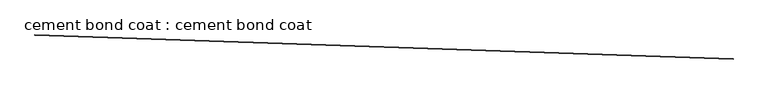
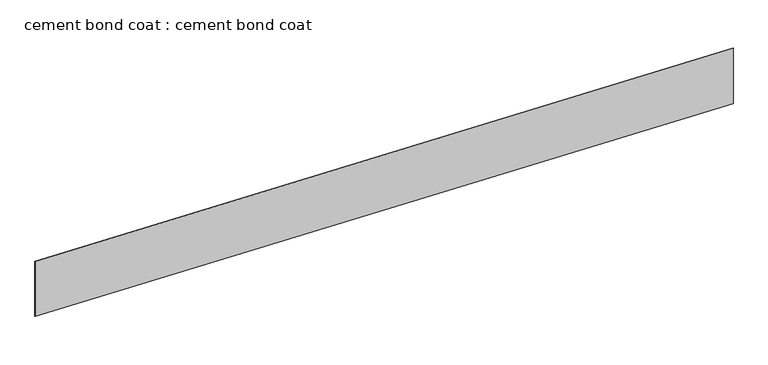
"""IFC4 building model written with IfcOpenShell, lengths in millimetres: proxy geometry, cement bond coat : cement bond coat."""

from ifc_helpers import new_model, si_unit, frame, origin, place, context, project, spatial, polyline, outline, extrude, source, transform, mapped, element, save


def cement_bond_coat_cement_bond_coat_fecb85c2(model_context):
    return source(origin(), model_context, "Body", "SweptSolid", [
        extrude(outline(polyline([(17306.8318874, -14563.2034463), (34365.6457504, -15146.9868203), (34365.4285691, -15153.3331052), (17306.6147061, -14569.5497312), (17306.8318874, -14563.2034463)])), frame((0.0, 0.0, 4260.0221586), z_axis=(0.0, 0.0, 1.0), x_axis=(1.0, 0.0, 0.0)), (0.0, 0.0, 1.0), 1454.3410494),
    ])


if __name__ == "__main__":
    model = new_model("IFC4")
    model_context = context("Model", 3, world=origin())
    ifc_project = project(units=[si_unit("LENGTHUNIT", "METRE", prefix="MILLI")], contexts=[model_context])
    site = spatial("IfcSite", under=ifc_project)
    building = spatial("IfcBuilding", under=site)
    placement = place(None, origin())
    cement_bond_coat_cement_bond_coat_shape = cement_bond_coat_cement_bond_coat_fecb85c2(model_context)
    element("IfcBuildingElementProxy", 1, Name="cement bond coat : cement bond coat", ObjectType="cement bond coat : cement bond coat", at=placement, inside=building, context=model_context, shape_type="MappedRepresentation", body=[
        mapped(cement_bond_coat_cement_bond_coat_shape, transform((0.0, 0.0, 0.0), x_axis=(1.0, 0.0, 0.0), y_axis=(0.0, 1.0, 0.0), z_axis=(0.0, 0.0, 1.0))),
    ])
    save(model, "model.ifc")
